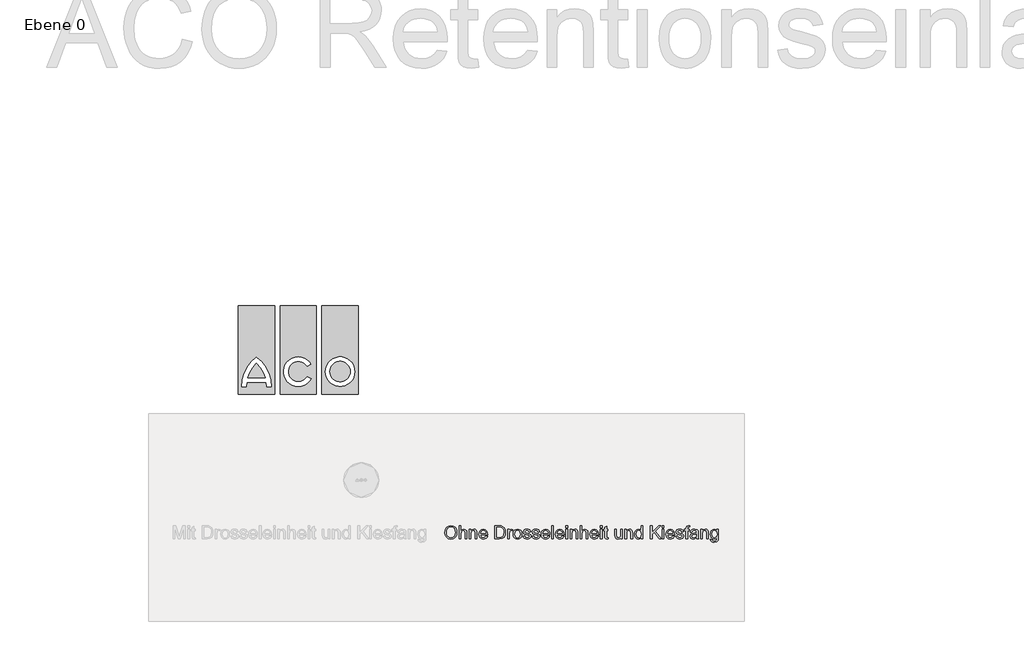
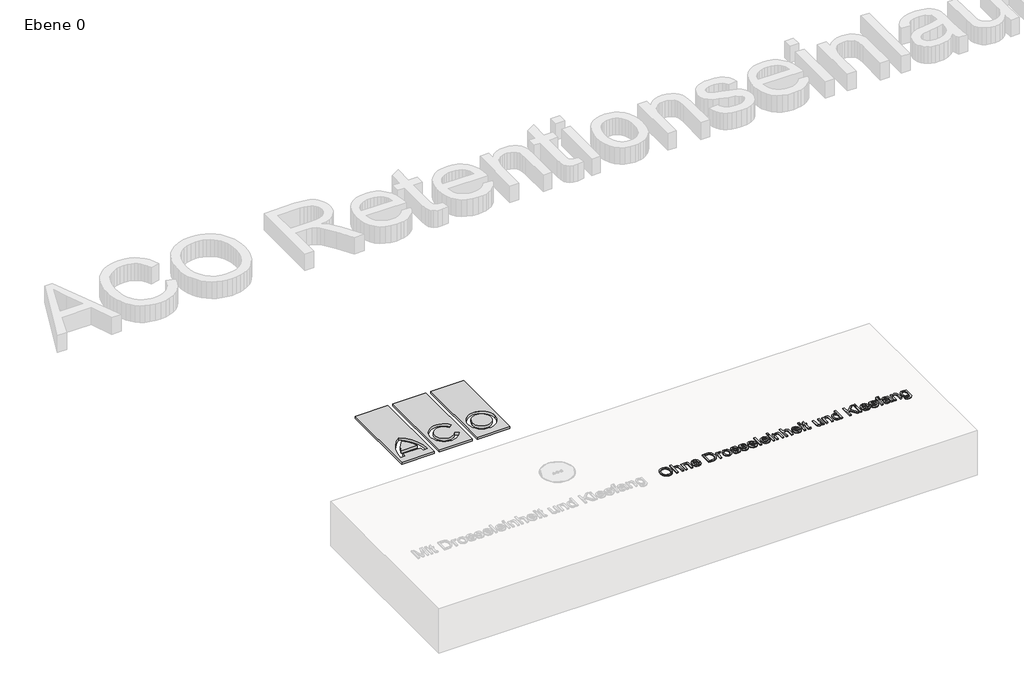
# One storey, part 2 of 3: 2 proxies.
"""IFC4 building model written with IfcOpenShell, lengths in millimetres."""

import ifcopenshell
import ifcopenshell.guid

model = None  # the IFC model being written
_history = None  # IfcOwnerHistory: only IFC2X3 demands one
_inside = {}  # id of a spatial element -> (the spatial element, [elements in it])
_under = {}  # id of a project, library or spatial element -> (it, [spatial elements below it])
_declared = {}  # id of a project -> (the project, [libraries it declares])
_typed = {}  # id of a type object -> (the type object, [elements of that type])
_made_of = {}  # id of a material, layer set ... -> (it, [elements and type objects made of it])


def new_model(schema):
    """Start an empty IFC model of exactly this schema.

    Asked for "IFC4X3", IfcOpenShell would pick the latest addendum, in which some entities
    have other attributes; the version numbers below select the first issue.
    IFC2X3 requires an IfcOwnerHistory on every rooted entity: one is made here for all.
    """
    global model, _history
    if schema == "IFC4X3":
        model = ifcopenshell.file(schema_version=(4, 3, 0, 0))
    else:
        model = ifcopenshell.file(schema=schema)
    _inside.clear()
    _under.clear()
    _declared.clear()
    _typed.clear()
    _made_of.clear()
    _history = None
    if model.schema == "IFC2X3":
        org = make("IfcOrganization", Name="unknown")
        user = make(
            "IfcPersonAndOrganization",
            ThePerson=make("IfcPerson", FamilyName="unknown"),
            TheOrganization=org,
        )
        app = make(
            "IfcApplication",
            ApplicationDeveloper=org,
            Version="unknown",
            ApplicationFullName="unknown",
            ApplicationIdentifier="unknown",
        )
        _history = make(
            "IfcOwnerHistory",
            OwningUser=user,
            OwningApplication=app,
            ChangeAction="ADDED",
            CreationDate=0,
        )
    return model


def make(cls, **values):
    """One entity of the class cls with the attributes given. An attribute that is None is left unset."""
    return model.create_entity(
        cls, **{name: value for name, value in values.items() if value is not None}
    )


def rooted(cls, **values):
    """An entity with a GlobalId (a new one), such as an element, a storey or a relation."""
    return make(cls, GlobalId=ifcopenshell.guid.new(), OwnerHistory=_history, **values)


def si_unit(unit_type, name, prefix=None):
    """IfcSIUnit, for example si_unit("LENGTHUNIT", "METRE", prefix="MILLI")."""
    return make("IfcSIUnit", UnitType=unit_type, Prefix=prefix, Name=name)


def assignment(units):
    """IfcUnitAssignment: the units of a project."""
    return None if units is None else make("IfcUnitAssignment", Units=units)


def point(xyz):
    """IfcCartesianPoint."""
    return None if xyz is None else make("IfcCartesianPoint", Coordinates=xyz)


def direction(xyz):
    """IfcDirection."""
    return None if xyz is None else make("IfcDirection", DirectionRatios=xyz)


def frame(location, z_axis=None, x_axis=None):
    """IfcAxis2Placement3D, a coordinate frame: its origin and axes. An axis left out is left unset."""
    return make(
        "IfcAxis2Placement3D",
        Location=point(location),
        Axis=direction(z_axis),
        RefDirection=direction(x_axis),
    )


def frame_2d(location, x_axis=None):
    """IfcAxis2Placement2D, a coordinate frame in the plane: its origin and x axis."""
    return make(
        "IfcAxis2Placement2D", Location=point(location), RefDirection=direction(x_axis)
    )


def origin():
    """The frame at (0, 0, 0) with its axes left unset."""
    return frame((0.0, 0.0, 0.0))


def origin_with_axes():
    """The frame at (0, 0, 0) with the z axis (0, 0, 1) and the x axis (1, 0, 0) written out."""
    return frame((0.0, 0.0, 0.0), z_axis=(0.0, 0.0, 1.0), x_axis=(1.0, 0.0, 0.0))


def origin_2d():
    """The frame at (0, 0) in the plane with its x axis left unset."""
    return frame_2d((0.0, 0.0))


def place(relative_to, where):
    """IfcLocalPlacement: puts the frame where relative to a parent placement (None: the world)."""
    return make(
        "IfcLocalPlacement", PlacementRelTo=relative_to, RelativePlacement=where
    )


def context(
    kind, dimensions, precision=None, world=None, true_north=None, identifier=None
):
    """IfcGeometricRepresentationContext, for example the 3D "Model" context."""
    return make(
        "IfcGeometricRepresentationContext",
        ContextIdentifier=identifier,
        ContextType=kind,
        CoordinateSpaceDimension=dimensions,
        Precision=precision,
        WorldCoordinateSystem=world,
        TrueNorth=true_north,
    )


def project(units=None, contexts=None):
    """IfcProject with its units and contexts."""
    return rooted(
        "IfcProject",
        Name="project",
        RepresentationContexts=contexts,
        UnitsInContext=assignment(units),
    )


def spatial(cls, under=None, at=None, **own):
    """A site, building, storey or space (cls), placed at a placement, below another one or the project."""
    s = rooted(cls, ObjectPlacement=at, **own)
    if under is not None:
        _under.setdefault(under.id(), (under, []))[1].append(s)
    return s


def polyline(points):
    """IfcPolyline through the points."""
    return make("IfcPolyline", Points=[point(p) for p in points])


def circle_curve(where, radius):
    """IfcCircle in the frame where."""
    return make("IfcCircle", Position=where, Radius=radius)


def trimmed(basis, trim1, trim2, sense, master):
    """IfcTrimmedCurve: the piece of a basis curve between two trims."""
    return make(
        "IfcTrimmedCurve",
        BasisCurve=basis,
        Trim1=trim1,
        Trim2=trim2,
        SenseAgreement=sense,
        MasterRepresentation=master,
    )


def segment(curve, same_sense, transition):
    """IfcCompositeCurveSegment."""
    return make(
        "IfcCompositeCurveSegment",
        Transition=transition,
        SameSense=same_sense,
        ParentCurve=curve,
    )


def composite_curve(segments, self_intersect=None):
    """IfcCompositeCurve: segments joined end to end."""
    return make("IfcCompositeCurve", Segments=segments, SelfIntersect=self_intersect)


def outline(outer, holes=None, kind="AREA"):
    """IfcArbitraryClosedProfileDef: a profile drawn as a closed curve; with holes, ...WithVoids."""
    if holes is None:
        return make("IfcArbitraryClosedProfileDef", ProfileType=kind, OuterCurve=outer)
    return make(
        "IfcArbitraryProfileDefWithVoids",
        ProfileType=kind,
        OuterCurve=outer,
        InnerCurves=holes,
    )


def extrude(swept, where, along, depth):
    """IfcExtrudedAreaSolid: the profile swept, set in the frame where, extruded along a direction by depth."""
    return make(
        "IfcExtrudedAreaSolid",
        SweptArea=swept,
        Position=where,
        ExtrudedDirection=direction(along),
        Depth=depth,
    )


def shape(context_of_items, identifier, shape_type, items):
    """IfcShapeRepresentation: the items that make up one representation, for example the "Body"."""
    return make(
        "IfcShapeRepresentation",
        ContextOfItems=context_of_items,
        RepresentationIdentifier=identifier,
        RepresentationType=shape_type,
        Items=items,
    )


def source(mapping_origin, context_of_items, identifier, shape_type, items):
    """IfcRepresentationMap: a shape defined once, which mapped items show again and again."""
    return make(
        "IfcRepresentationMap",
        MappingOrigin=mapping_origin,
        MappedRepresentation=shape(context_of_items, identifier, shape_type, items),
    )


def transform(
    local_origin,
    x_axis=None,
    y_axis=None,
    z_axis=None,
    scale=None,
    scale2=None,
    scale3=None,
    uniform=True,
):
    """IfcCartesianTransformationOperator3D, or its non-uniform kind. x_axis, y_axis, z_axis: its Axis1, 2, 3."""
    if uniform:
        return make(
            "IfcCartesianTransformationOperator3D",
            Axis1=direction(x_axis),
            Axis2=direction(y_axis),
            LocalOrigin=point(local_origin),
            Scale=scale,
            Axis3=direction(z_axis),
        )
    return make(
        "IfcCartesianTransformationOperator3DnonUniform",
        Axis1=direction(x_axis),
        Axis2=direction(y_axis),
        LocalOrigin=point(local_origin),
        Scale=scale,
        Axis3=direction(z_axis),
        Scale2=scale2,
        Scale3=scale3,
    )


def mapped(mapping_source, mapping_target):
    """IfcMappedItem: shows the shape of a source again, moved by a transform."""
    return make(
        "IfcMappedItem", MappingSource=mapping_source, MappingTarget=mapping_target
    )


def made_of(thing, what):
    """Note that an element or type object is made of a material, layer set ...; save() writes the relation."""
    if what is not None:
        _made_of.setdefault(what.id(), (what, []))[1].append(thing)
    return thing


def element(
    cls,
    number,
    at=None,
    inside=None,
    cuts=None,
    type_object=None,
    material=None,
    context=None,
    identifier="Body",
    shape_type=None,
    held_by="IfcProductDefinitionShape",
    body=None,
    shapes=None,
    **own,
):
    """One element of the class cls, such as IfcWall. Its Tag is "e" and its number.

    at: its placement. inside: the storey or other place that contains it. cuts: it is an
    opening in that element (IfcRelVoidsElement). A single representation is given by context,
    identifier, shape_type and body (its items); several are given by shapes. held_by: the class
    of the entity that holds the representations. save() writes the other relations.
    """
    e = rooted(cls, Tag="e%d" % number, ObjectPlacement=at, **own)
    if body is not None:
        shapes = [shape(context, identifier, shape_type, body)]
    if shapes is not None:
        e.Representation = make(held_by, Representations=shapes)
    if inside is not None:
        _inside.setdefault(inside.id(), (inside, []))[1].append(e)
    if cuts is not None:
        rooted(
            "IfcRelVoidsElement", RelatingBuildingElement=cuts, RelatedOpeningElement=e
        )
    if type_object is not None:
        _typed.setdefault(type_object.id(), (type_object, []))[1].append(e)
    return made_of(e, material)


def aggregate(whole, parts):
    """IfcRelAggregates: a whole, such as a stair, and the parts it consists of."""
    return rooted("IfcRelAggregates", RelatingObject=whole, RelatedObjects=parts)


def save(model, path):
    """Write the relations noted so far, then the file.

    IfcRelAggregates (storeys below a building ...), IfcRelContainedInSpatialStructure (elements
    in a storey), IfcRelDefinesByType, IfcRelAssociatesMaterial and IfcRelDeclares: one each for
    every whole, place, type object, material and project.
    """
    for whole, parts in _under.values():
        aggregate(whole, parts)
    for where, things in _inside.values():
        rooted(
            "IfcRelContainedInSpatialStructure",
            RelatedElements=things,
            RelatingStructure=where,
        )
    for kind, things in _typed.values():
        rooted("IfcRelDefinesByType", RelatedObjects=things, RelatingType=kind)
    for what, things in _made_of.values():
        rooted("IfcRelAssociatesMaterial", RelatedObjects=things, RelatingMaterial=what)
    for by, libraries in _declared.values():
        rooted("IfcRelDeclares", RelatingContext=by, RelatedDefinitions=libraries)
    model.write(path)


def aco_logo_2_aco_logo_2_fd4f08f5(model_context):
    return source(origin(), model_context, "Body", "SweptSolid", [
        extrude(outline(composite_curve([segment(trimmed(circle_curve(frame_2d((322.6916659, 0.0)), 78.8446383), [point((243.8470276, 0.0))], [point((401.5363043, 0.0))], False, "CARTESIAN"), True, "CONTINUOUS"), segment(trimmed(circle_curve(frame_2d((322.6916659, 0.0)), 78.8446383), [point((401.5363043, 0.0))], [point((243.8470276, 0.0))], False, "CARTESIAN"), True, "CONTINUOUS")], self_intersect=False)), origin_with_axes(), (0.0, 0.0, 1.0), 20.0),
        extrude(outline(composite_curve([segment(trimmed(circle_curve(frame_2d((-489.1421711, -116.655693)), 245.2949397), [point((-322.6918325, 63.5216981))], [point((-253.4274551, -48.7721153))], False, "CARTESIAN"), True, "CONTINUOUS"), segment(polyline([(-253.4274551, -48.7721153), (-391.9570627, -48.7721153)]), True, "CONTINUOUS"), segment(trimmed(circle_curve(frame_2d((-156.2447263, -116.6554892)), 245.2925967), [point((-391.9570627, -48.7721153))], [point((-322.6918325, 63.5216981))], False, "CARTESIAN"), True, "CONTINUOUS")], self_intersect=False)), origin_with_axes(), (0.0, 0.0, 1.0), 20.0),
        extrude(outline(polyline([(-182.6922589, -175.0), (-462.6922589, -175.0), (-462.6922589, 510.0), (-182.6922589, 510.0), (-182.6922589, -175.0)]), holes=[composite_curve([segment(trimmed(circle_curve(frame_2d((-489.1421711, -116.655693)), 245.2949397), [point((-246.0556797, -83.8141768))], [point((-243.8503465, -115.4194717))], False, "CARTESIAN"), True, "CONTINUOUS"), segment(polyline([(-243.8503465, -115.4194717), (-208.8078956, -115.4194717)]), True, "CONTINUOUS"), segment(trimmed(circle_curve(frame_2d((-489.1421711, -116.655693)), 280.3370012), [point((-208.8078956, -115.4194717))], [point((-322.691871, 108.917204))], True, "CARTESIAN"), True, "CONTINUOUS"), segment(trimmed(circle_curve(frame_2d((-156.2447263, -116.6554892)), 280.3349638), [point((-322.691871, 108.917204))], [point((-436.5769652, -115.4194717))], True, "CARTESIAN"), True, "CONTINUOUS"), segment(polyline([(-436.5769652, -115.4194717), (-401.533291, -115.4194717)]), True, "CONTINUOUS"), segment(trimmed(circle_curve(frame_2d((-156.2414664, -116.655693)), 245.2949397), [point((-401.533291, -115.4194717))], [point((-399.3279577, -83.8141768))], False, "CARTESIAN"), True, "CONTINUOUS"), segment(polyline([(-399.3279577, -83.8141768), (-246.0556797, -83.8141768)]), True, "CONTINUOUS")], self_intersect=False)]), origin_with_axes(), (0.0, 0.0, 1.0), 20.0),
        extrude(outline(polyline([(140.0, -175.0), (-140.0, -175.0), (-140.0, 510.0), (140.0, 510.0), (140.0, -175.0)]), holes=[composite_curve([segment(trimmed(circle_curve(origin_2d(), 78.8445365), [point((68.281376, -39.4222605))], [point((67.5433761, 40.6737418))], False, "CARTESIAN"), True, "CONTINUOUS"), segment(polyline([(67.5433761, 40.6737418), (97.8942123, 58.1969105)]), True, "CONTINUOUS"), segment(trimmed(circle_curve(origin_2d(), 113.8865979), [point((97.8942123, 58.1969105))], [point((98.6286808, -56.9433097))], True, "CARTESIAN"), True, "CONTINUOUS"), segment(polyline([(98.6286808, -56.9433097), (68.281376, -39.4222605)]), True, "CONTINUOUS")], self_intersect=False)]), origin_with_axes(), (0.0, 0.0, 1.0), 20.0),
        extrude(outline(polyline([(462.6916659, -175.0), (182.6916659, -175.0), (182.6916659, 510.0), (462.6916659, 510.0), (462.6916659, -175.0)]), holes=[composite_curve([segment(trimmed(circle_curve(frame_2d((322.6916659, 0.0)), 113.8866998), [point((208.8049661, 0.0))], [point((436.5783657, 0.0))], True, "CARTESIAN"), True, "CONTINUOUS"), segment(trimmed(circle_curve(frame_2d((322.6916659, 0.0)), 113.8866998), [point((436.5783657, 0.0))], [point((208.8049661, 0.0))], True, "CARTESIAN"), True, "CONTINUOUS")], self_intersect=False)]), origin_with_axes(), (0.0, 0.0, 1.0), 20.0),
    ])


model = new_model("IFC4")

# Units and contexts
model_context = context("Model", 3, world=origin())
ifc_project = project(units=[si_unit("LENGTHUNIT", "METRE", prefix="MILLI")], contexts=[model_context])

# Site, building, storey
site = spatial("IfcSite", under=ifc_project)
building = spatial("IfcBuilding", under=site)
storey = spatial("IfcBuildingStorey", under=building, Name="Ebene 0", Elevation=0.0)

# Proxies
placement = place(None, origin())
element("IfcBuildingElementProxy", 1, Name="100mm ACO", ObjectType="100mm ACO", at=placement, inside=storey, context=model_context, shape_type="SweptSolid", body=[
    extrude(outline(polyline([(3989.1552922, 2776.710133), (4007.7529444, 2773.115751), (4022.6252453, 2762.3326053), (4032.3824643, 2745.6631134), (4035.6348706, 2724.4096931), (4032.3642741, 2703.2472238), (4022.5524846, 2686.675959), (4007.6619935, 2675.969212), (3989.1552922, 2672.4002963), (3970.1720079, 2676.1001814), (3955.306983, 2687.1998365), (3945.7025617, 2703.6255798), (3942.5010879, 2723.3037295), (3945.7462181, 2745.5139538), (3955.4816089, 2762.4344703), (3970.3902902, 2773.1412173), (3989.1552922, 2776.710133)]), holes=[polyline([(3989.0388749, 2683.5763503), (4002.5578256, 2686.2757748), (4013.2536585, 2694.3740482), (4020.2314161, 2707.2818084), (4022.596141, 2724.4096931), (4020.227778, 2741.9195719), (4013.1226891, 2754.8673505), (4002.4304942, 2762.8673969), (3989.3008137, 2765.534079), (3975.8764521, 2762.9219675), (3965.0569259, 2755.0856328), (3957.9190946, 2741.8504492), (3955.5398175, 2723.0417907), (3957.868162, 2707.0671641), (3964.8531958, 2694.4759133), (3975.5563047, 2686.301241), (3989.0388749, 2683.5763503)])]), origin_with_axes(), (0.0, 0.0, 1.0), 10.0),
    extrude(outline(polyline([(4112.0045724, 2674.262972), (4098.9658428, 2674.262972), (4098.9658428, 2721.2373237), (4095.2550437, 2734.9017958), (4084.1808548, 2739.4566199), (4071.1712296, 2734.0868752), (4066.8710682, 2726.6107063), (4065.4376811, 2714.921689), (4065.4376811, 2674.262972), (4052.3989515, 2674.262972), (4052.3989515, 2774.8474573), (4065.4376811, 2774.8474573), (4065.4376811, 2738.8163251), (4075.1949, 2746.2815799), (4087.1203899, 2748.7699982), (4100.4792668, 2745.8886718), (4109.4288412, 2737.0264103), (4112.0045724, 2720.4224031), (4112.0045724, 2674.262972)])), origin_with_axes(), (0.0, 0.0, 1.0), 10.0),
    extrude(outline(polyline([(4190.2369499, 2674.262972), (4177.1982203, 2674.262972), (4177.1982203, 2719.4910652), (4173.3127953, 2735.1782868), (4162.5005452, 2739.4566199), (4152.4159028, 2736.720815), (4145.6637036, 2729.0081736), (4143.6700585, 2714.921689), (4143.6700585, 2674.262972), (4130.631329, 2674.262972), (4130.631329, 2746.9073225), (4141.8073829, 2746.9073225), (4141.8073829, 2736.8081279), (4151.7610559, 2745.7868067), (4165.0908286, 2748.7699982), (4176.5288213, 2746.7035924), (4185.3765306, 2740.5189271), (4189.4074771, 2731.7294264), (4190.2369499, 2719.1127092), (4190.2369499, 2674.262972)])), origin_with_axes(), (0.0, 0.0, 1.0), 10.0),
    extrude(outline(polyline([(4272.1946787, 2707.7911338), (4218.1770847, 2707.7911338), (4220.2616807, 2696.6005277), (4225.0020447, 2688.4076652), (4231.8233667, 2683.3871723), (4240.1508366, 2681.7136746), (4251.8944245, 2685.4244738), (4259.1559491, 2696.6150798), (4272.1946787, 2695.1016559), (4267.7926522, 2685.4244738), (4260.8148946, 2678.2793664), (4251.5160685, 2673.8700639), (4240.1508366, 2672.4002963), (4225.4786277, 2674.9214569), (4214.4080769, 2682.4849388), (4207.4557856, 2694.4140666), (4205.1383551, 2710.0321654), (4207.3721107, 2725.6611783), (4214.0733774, 2738.0305088), (4224.834695, 2746.0851258), (4239.248603, 2748.7699982), (4254.5574686, 2745.2920335), (4267.0577685, 2733.4465805), (4270.9104511, 2722.8489747), (4272.1946787, 2707.7911338)]), holes=[polyline([(4259.1559491, 2717.104512), (4257.060439, 2727.3201238), (4252.2873326, 2734.2178446), (4238.9284557, 2739.4566199), (4231.0266363, 2737.8995395), (4224.6673452, 2733.2282982), (4218.1770847, 2717.104512), (4259.1559491, 2717.104512)])]), origin_with_axes(), (0.0, 0.0, 1.0), 10.0),
    extrude(outline(polyline([(4328.0749483, 2774.8474573), (4362.3016134, 2774.8474573), (4377.7851048, 2773.9161195), (4390.1835396, 2769.3903997), (4400.5301208, 2759.4803832), (4407.5006024, 2744.9718861), (4410.0326771, 2725.1081965), (4407.4278416, 2704.8552368), (4399.6133351, 2688.5677389), (4385.4468137, 2677.8391637), (4363.7859331, 2674.262972), (4328.0749483, 2674.262972), (4328.0749483, 2774.8474573)]), holes=[polyline([(4341.1136779, 2685.4390259), (4362.5635522, 2685.4390259), (4374.2780358, 2686.2830508), (4384.7410342, 2690.8378749), (4393.5159828, 2703.0034753), (4396.9939475, 2725.3992396), (4395.6551494, 2739.7767673), (4390.7365215, 2751.9569198), (4382.5145547, 2760.0042607), (4373.4631152, 2763.1184216), (4362.1560919, 2763.6714034), (4341.1136779, 2763.6714034), (4341.1136779, 2685.4390259)])]), origin_with_axes(), (0.0, 0.0, 1.0), 10.0),
    extrude(outline(polyline([(4465.9129467, 2745.9177761), (4461.8383437, 2737.5939442), (4453.2816774, 2739.4566199), (4447.4535399, 2737.8195026), (4443.2406915, 2732.9081508), (4439.8354875, 2714.5724373), (4439.8354875, 2674.262972), (4426.796758, 2674.262972), (4426.796758, 2746.9073225), (4437.9728119, 2746.9073225), (4437.9728119, 2736.1387289), (4444.9432934, 2745.6121808), (4453.427199, 2748.7699982), (4465.9129467, 2745.9177761)])), origin_with_axes(), (0.0, 0.0, 1.0), 10.0),
    extrude(outline(polyline([(4503.1373555, 2748.7699982), (4516.3907293, 2746.3616168), (4527.162961, 2739.1364725), (4534.3117064, 2727.4729214), (4536.6946215, 2711.7493195), (4534.1152523, 2693.3699496), (4526.3771447, 2681.3062143), (4515.4084589, 2674.6267758), (4503.1373555, 2672.4002963), (4490.4733438, 2674.6886225), (4479.6065232, 2681.5536009), (4472.1303543, 2693.3881398), (4469.638298, 2710.5851473), (4472.0466794, 2727.4001607), (4479.2718237, 2739.3110984), (4490.0549694, 2746.4052732), (4503.1373555, 2748.7699982)]), holes=[polyline([(4503.1373555, 2681.7136746), (4511.9959789, 2683.7327859), (4518.4316688, 2689.7901198), (4523.655892, 2711.0508162), (4522.1788484, 2723.4055945), (4517.7477176, 2732.2969603), (4511.1410399, 2737.666705), (4503.1373555, 2739.4566199), (4494.9772354, 2737.6412387), (4488.4251282, 2732.1950953), (4484.1140527, 2723.1545699), (4482.6770276, 2710.5560429), (4484.139519, 2698.0011725), (4488.5269933, 2688.9751992), (4495.1045667, 2683.5290558), (4503.1373555, 2681.7136746)])]), origin_with_axes(), (0.0, 0.0, 1.0), 10.0),
    extrude(outline(polyline([(4592.5748912, 2726.4178903), (4587.7581283, 2736.1969375), (4576.6257309, 2739.4566199), (4565.2459468, 2736.6626064), (4560.9094051, 2728.5425047), (4563.7761793, 2721.3537409), (4577.2951299, 2717.4537637), (4595.121518, 2713.2627435), (4604.216614, 2706.9034524), (4607.4762964, 2695.5091162), (4605.4535471, 2686.5267994), (4599.385299, 2679.0797348), (4589.9336753, 2674.070156), (4577.7607989, 2672.4002963), (4565.2132045, 2673.8045792), (4555.7433905, 2678.0174276), (4549.344081, 2685.0315656), (4546.0079998, 2694.8397171), (4559.0467294, 2696.6150798), (4564.6784128, 2685.4244738), (4577.7607989, 2681.7136746), (4590.1301294, 2685.5699953), (4594.4375668, 2694.9561343), (4592.5021304, 2700.9661738), (4587.6708154, 2704.3568255), (4574.0063432, 2707.2672562), (4560.7529694, 2710.5123865), (4552.9493771, 2715.1254192), (4547.8706755, 2727.7857927), (4549.7515413, 2736.1205387), (4555.3941389, 2742.8472717), (4564.2163819, 2747.2893165), (4575.6361844, 2748.7699982), (4587.6380731, 2747.4748565), (4596.634942, 2743.5894315), (4602.6267912, 2737.1209992), (4605.6136207, 2728.0768358), (4592.5748912, 2726.4178903)])), origin_with_axes(), (0.0, 0.0, 1.0), 10.0),
    extrude(outline(polyline([(4661.4938904, 2726.4178903), (4656.6771275, 2736.1969375), (4645.5447301, 2739.4566199), (4634.164946, 2736.6626064), (4629.8284043, 2728.5425047), (4632.6951785, 2721.3537409), (4646.2141291, 2717.4537637), (4664.0405172, 2713.2627435), (4673.1356132, 2706.9034524), (4676.3952956, 2695.5091162), (4674.3725463, 2686.5267994), (4668.3042982, 2679.0797348), (4658.8526745, 2674.070156), (4646.6797981, 2672.4002963), (4634.1322037, 2673.8045792), (4624.6623897, 2678.0174276), (4618.2630802, 2685.0315656), (4614.926999, 2694.8397171), (4627.9657286, 2696.6150798), (4633.597412, 2685.4244738), (4646.6797981, 2681.7136746), (4659.0491286, 2685.5699953), (4663.356566, 2694.9561343), (4661.4211296, 2700.9661738), (4656.5898146, 2704.3568255), (4642.9253424, 2707.2672562), (4629.6719686, 2710.5123865), (4621.8683763, 2715.1254192), (4616.7896747, 2727.7857927), (4618.6705405, 2736.1205387), (4624.3131381, 2742.8472717), (4633.1353811, 2747.2893165), (4644.5551836, 2748.7699982), (4656.5570723, 2747.4748565), (4665.5539412, 2743.5894315), (4671.5457904, 2737.1209992), (4674.5326199, 2728.0768358), (4661.4938904, 2726.4178903)])), origin_with_axes(), (0.0, 0.0, 1.0), 10.0),
    extrude(outline(polyline([(4752.7649974, 2707.7911338), (4698.7474035, 2707.7911338), (4700.8319994, 2696.6005277), (4705.5723635, 2688.4076652), (4712.3936854, 2683.3871723), (4720.7211553, 2681.7136746), (4732.4647432, 2685.4244738), (4739.7262678, 2696.6150798), (4752.7649974, 2695.1016559), (4748.362971, 2685.4244738), (4741.3852133, 2678.2793664), (4732.0863872, 2673.8700639), (4720.7211553, 2672.4002963), (4706.0489465, 2674.9214569), (4694.9783957, 2682.4849388), (4688.0261043, 2694.4140666), (4685.7086739, 2710.0321654), (4687.9424294, 2725.6611783), (4694.6436962, 2738.0305088), (4705.4050137, 2746.0851258), (4719.8189218, 2748.7699982), (4735.1277873, 2745.2920335), (4747.6280872, 2733.4465805), (4751.4807699, 2722.8489747), (4752.7649974, 2707.7911338)]), holes=[polyline([(4739.7262678, 2717.104512), (4737.6307577, 2727.3201238), (4732.8576514, 2734.2178446), (4719.4987744, 2739.4566199), (4711.596955, 2737.8995395), (4705.2376639, 2733.2282982), (4698.7474035, 2717.104512), (4739.7262678, 2717.104512)])]), origin_with_axes(), (0.0, 0.0, 1.0), 10.0),
    extrude(outline(polyline([(4780.7051322, 2674.262972), (4767.6664027, 2674.262972), (4767.6664027, 2774.8474573), (4780.7051322, 2774.8474573), (4780.7051322, 2674.262972)])), origin_with_axes(), (0.0, 0.0, 1.0), 10.0),
    extrude(outline(polyline([(4862.662861, 2707.7911338), (4808.645267, 2707.7911338), (4810.729863, 2696.6005277), (4815.4702271, 2688.4076652), (4822.291549, 2683.3871723), (4830.6190189, 2681.7136746), (4842.3626068, 2685.4244738), (4849.6241314, 2696.6150798), (4862.662861, 2695.1016559), (4858.2608346, 2685.4244738), (4851.2830769, 2678.2793664), (4841.9842508, 2673.8700639), (4830.6190189, 2672.4002963), (4815.9468101, 2674.9214569), (4804.8762593, 2682.4849388), (4797.9239679, 2694.4140666), (4795.6065375, 2710.0321654), (4797.840293, 2725.6611783), (4804.5415597, 2738.0305088), (4815.3028773, 2746.0851258), (4829.7167854, 2748.7699982), (4845.0256509, 2745.2920335), (4857.5259508, 2733.4465805), (4861.3786335, 2722.8489747), (4862.662861, 2707.7911338)]), holes=[polyline([(4849.6241314, 2717.104512), (4847.5286213, 2727.3201238), (4842.755515, 2734.2178446), (4829.396638, 2739.4566199), (4821.4948186, 2737.8995395), (4815.1355275, 2733.2282982), (4808.645267, 2717.104512), (4849.6241314, 2717.104512)])]), origin_with_axes(), (0.0, 0.0, 1.0), 10.0),
    extrude(outline(polyline([(4890.6029958, 2674.262972), (4877.5642662, 2674.262972), (4877.5642662, 2746.9073225), (4890.6029958, 2746.9073225), (4890.6029958, 2674.262972)])), origin_with_axes(), (0.0, 0.0, 1.0), 10.0),
    extrude(outline(polyline([(4890.6029958, 2761.8087277), (4877.5642662, 2761.8087277), (4877.5642662, 2774.8474573), (4890.6029958, 2774.8474573), (4890.6029958, 2761.8087277)])), origin_with_axes(), (0.0, 0.0, 1.0), 10.0),
    extrude(outline(polyline([(4968.8353733, 2674.262972), (4955.7966437, 2674.262972), (4955.7966437, 2719.4910652), (4951.9112187, 2735.1782868), (4941.0989686, 2739.4566199), (4931.0143262, 2736.720815), (4924.262127, 2729.0081736), (4922.2684819, 2714.921689), (4922.2684819, 2674.262972), (4909.2297524, 2674.262972), (4909.2297524, 2746.9073225), (4920.4058063, 2746.9073225), (4920.4058063, 2736.8081279), (4930.3594793, 2745.7868067), (4943.689252, 2748.7699982), (4955.1272446, 2746.7035924), (4963.974954, 2740.5189271), (4968.0059005, 2731.7294264), (4968.8353733, 2719.1127092), (4968.8353733, 2674.262972)])), origin_with_axes(), (0.0, 0.0, 1.0), 10.0),
    extrude(outline(polyline([(5047.0677508, 2674.262972), (5034.0290212, 2674.262972), (5034.0290212, 2721.2373237), (5030.318222, 2734.9017958), (5019.2440332, 2739.4566199), (5006.2344079, 2734.0868752), (5001.9342465, 2726.6107063), (5000.5008594, 2714.921689), (5000.5008594, 2674.262972), (4987.4621298, 2674.262972), (4987.4621298, 2774.8474573), (5000.5008594, 2774.8474573), (5000.5008594, 2738.8163251), (5010.2580784, 2746.2815799), (5022.1835682, 2748.7699982), (5035.5424452, 2745.8886718), (5044.4920196, 2737.0264103), (5047.0677508, 2720.4224031), (5047.0677508, 2674.262972)])), origin_with_axes(), (0.0, 0.0, 1.0), 10.0),
    extrude(outline(polyline([(5129.0254795, 2707.7911338), (5075.0078856, 2707.7911338), (5077.0924816, 2696.6005277), (5081.8328456, 2688.4076652), (5088.6541676, 2683.3871723), (5096.9816374, 2681.7136746), (5108.7252253, 2685.4244738), (5115.98675, 2696.6150798), (5129.0254795, 2695.1016559), (5124.6234531, 2685.4244738), (5117.6456955, 2678.2793664), (5108.3468693, 2673.8700639), (5096.9816374, 2672.4002963), (5082.3094286, 2674.9214569), (5071.2388778, 2682.4849388), (5064.2865864, 2694.4140666), (5061.969156, 2710.0321654), (5064.2029116, 2725.6611783), (5070.9041783, 2738.0305088), (5081.6654958, 2746.0851258), (5096.0794039, 2748.7699982), (5111.3882694, 2745.2920335), (5123.8885693, 2733.4465805), (5127.741252, 2722.8489747), (5129.0254795, 2707.7911338)]), holes=[polyline([(5115.98675, 2717.104512), (5113.8912399, 2727.3201238), (5109.1181335, 2734.2178446), (5095.7592565, 2739.4566199), (5087.8574372, 2737.8995395), (5081.4981461, 2733.2282982), (5075.0078856, 2717.104512), (5115.98675, 2717.104512)])]), origin_with_axes(), (0.0, 0.0, 1.0), 10.0),
    extrude(outline(polyline([(5156.9656144, 2674.262972), (5143.9268848, 2674.262972), (5143.9268848, 2746.9073225), (5156.9656144, 2746.9073225), (5156.9656144, 2674.262972)])), origin_with_axes(), (0.0, 0.0, 1.0), 10.0),
    extrude(outline(polyline([(5156.9656144, 2761.8087277), (5143.9268848, 2761.8087277), (5143.9268848, 2774.8474573), (5156.9656144, 2774.8474573), (5156.9656144, 2761.8087277)])), origin_with_axes(), (0.0, 0.0, 1.0), 10.0),
    extrude(outline(polyline([(5203.5325057, 2673.2443213), (5194.3937533, 2672.4002963), (5182.7374783, 2675.2961749), (5178.2699671, 2682.6450124), (5177.4550465, 2695.0434473), (5177.4550465, 2737.5939442), (5168.1416683, 2737.5939442), (5168.1416683, 2746.9073225), (5177.4550465, 2746.9073225), (5177.4550465, 2765.3594532), (5190.4937761, 2772.9847817), (5190.4937761, 2746.9073225), (5201.66983, 2746.9073225), (5201.66983, 2737.5939442), (5190.4937761, 2737.5939442), (5190.4937761, 2692.4240596), (5191.5415312, 2684.1584364), (5196.8676194, 2681.7136746), (5201.9317688, 2681.7136746), (5203.5325057, 2673.2443213)])), origin_with_axes(), (0.0, 0.0, 1.0), 10.0),
    extrude(outline(polyline([(5313.4303693, 2674.262972), (5302.2543154, 2674.262972), (5302.2543154, 2684.8278355), (5291.9513907, 2675.5071811), (5278.9126611, 2672.4002963), (5264.7097592, 2675.9364697), (5256.0075714, 2685.6718604), (5253.8247484, 2701.7665422), (5253.8247484, 2746.9073225), (5266.8634779, 2746.9073225), (5266.8634779, 2705.6956237), (5267.7657115, 2691.5218261), (5272.4806092, 2684.4785838), (5281.561153, 2681.7136746), (5294.3816003, 2686.6614068), (5298.8891299, 2694.257631), (5300.3916397, 2707.150839), (5300.3916397, 2746.9073225), (5313.4303693, 2746.9073225), (5313.4303693, 2674.262972)])), origin_with_axes(), (0.0, 0.0, 1.0), 10.0),
    extrude(outline(polyline([(5391.6627468, 2674.262972), (5378.6240172, 2674.262972), (5378.6240172, 2719.4910652), (5374.7385922, 2735.1782868), (5363.9263421, 2739.4566199), (5353.8416997, 2736.720815), (5347.0895004, 2729.0081736), (5345.0958554, 2714.921689), (5345.0958554, 2674.262972), (5332.0571258, 2674.262972), (5332.0571258, 2746.9073225), (5343.2331798, 2746.9073225), (5343.2331798, 2736.8081279), (5353.1868528, 2745.7868067), (5366.5166254, 2748.7699982), (5377.9546181, 2746.7035924), (5386.8023275, 2740.5189271), (5390.833274, 2731.7294264), (5391.6627468, 2719.1127092), (5391.6627468, 2674.262972)])), origin_with_axes(), (0.0, 0.0, 1.0), 10.0),
    extrude(outline(polyline([(5469.8951242, 2674.262972), (5456.8563947, 2674.262972), (5456.8563947, 2682.4703866), (5448.452526, 2674.9178189), (5437.0072572, 2672.4002963), (5425.0708533, 2675.0560644), (5415.280892, 2683.0233684), (5408.743337, 2695.2253492), (5406.564152, 2710.5851473), (5408.652386, 2726.4178903), (5414.9170881, 2738.5252821), (5424.6088224, 2746.2088191), (5436.9781529, 2748.7699982), (5448.3288327, 2746.4707579), (5456.5944559, 2739.5730371), (5456.8563947, 2774.8474573), (5469.8951242, 2774.8474573), (5469.8951242, 2674.262972)]), holes=[polyline([(5438.5206812, 2681.7136746), (5445.614856, 2683.4308287), (5451.5303065, 2688.5822911), (5455.5248726, 2697.2262703), (5456.8563947, 2709.420975), (5451.9814232, 2731.3074139), (5446.0477826, 2737.4193184), (5437.9968037, 2739.4566199), (5430.0040333, 2737.4629749), (5424.2450186, 2731.4820397), (5419.6028816, 2710.5560429), (5422.105852, 2694.7087477), (5429.0908857, 2684.973357), (5438.5206812, 2681.7136746)])]), origin_with_axes(), (0.0, 0.0, 1.0), 10.0),
    extrude(outline(polyline([(5611.9241429, 2674.262972), (5596.2951299, 2674.262972), (5559.1871384, 2725.7484913), (5542.5394747, 2709.6538094), (5542.5394747, 2674.262972), (5529.5007452, 2674.262972), (5529.5007452, 2774.8474573), (5542.5394747, 2774.8474573), (5542.5394747, 2726.767142), (5592.1914226, 2774.8474573), (5609.8868414, 2774.8474573), (5568.3840994, 2734.6544092), (5611.9241429, 2674.262972)])), origin_with_axes(), (0.0, 0.0, 1.0), 10.0),
    extrude(outline(polyline([(5633.8105818, 2761.8087277), (5620.7718522, 2761.8087277), (5620.7718522, 2774.8474573), (5633.8105818, 2774.8474573), (5633.8105818, 2761.8087277)])), origin_with_axes(), (0.0, 0.0, 1.0), 10.0),
    extrude(outline(polyline([(5633.8105818, 2674.262972), (5620.7718522, 2674.262972), (5620.7718522, 2746.9073225), (5633.8105818, 2746.9073225), (5633.8105818, 2674.262972)])), origin_with_axes(), (0.0, 0.0, 1.0), 10.0),
    extrude(outline(polyline([(5715.7683106, 2707.7911338), (5661.7507166, 2707.7911338), (5663.8353126, 2696.6005277), (5668.5756766, 2688.4076652), (5675.3969986, 2683.3871723), (5683.7244685, 2681.7136746), (5695.4680564, 2685.4244738), (5702.729581, 2696.6150798), (5715.7683106, 2695.1016559), (5711.3662841, 2685.4244738), (5704.3885265, 2678.2793664), (5695.0897004, 2673.8700639), (5683.7244685, 2672.4002963), (5669.0522596, 2674.9214569), (5657.9817088, 2682.4849388), (5651.0294175, 2694.4140666), (5648.711987, 2710.0321654), (5650.9457426, 2725.6611783), (5657.6470093, 2738.0305088), (5668.4083269, 2746.0851258), (5682.8222349, 2748.7699982), (5698.1311005, 2745.2920335), (5710.6314004, 2733.4465805), (5714.484083, 2722.8489747), (5715.7683106, 2707.7911338)]), holes=[polyline([(5702.729581, 2717.104512), (5700.6340709, 2727.3201238), (5695.8609645, 2734.2178446), (5682.5020876, 2739.4566199), (5674.6002682, 2737.8995395), (5668.2409771, 2733.2282982), (5661.7507166, 2717.104512), (5702.729581, 2717.104512)])]), origin_with_axes(), (0.0, 0.0, 1.0), 10.0),
    extrude(outline(polyline([(5771.6485802, 2726.4178903), (5766.8318174, 2736.1969375), (5755.6994199, 2739.4566199), (5744.3196358, 2736.6626064), (5739.9830941, 2728.5425047), (5742.8498683, 2721.3537409), (5756.368819, 2717.4537637), (5774.1952071, 2713.2627435), (5783.290303, 2706.9034524), (5786.5499854, 2695.5091162), (5784.5272361, 2686.5267994), (5778.4589881, 2679.0797348), (5769.0073643, 2674.070156), (5756.8344879, 2672.4002963), (5744.2868935, 2673.8045792), (5734.8170796, 2678.0174276), (5728.41777, 2685.0315656), (5725.0816888, 2694.8397171), (5738.1204184, 2696.6150798), (5743.7521018, 2685.4244738), (5756.8344879, 2681.7136746), (5769.2038184, 2685.5699953), (5773.5112558, 2694.9561343), (5771.5758194, 2700.9661738), (5766.7445044, 2704.3568255), (5753.0800323, 2707.2672562), (5739.8266584, 2710.5123865), (5732.0230661, 2715.1254192), (5726.9443645, 2727.7857927), (5728.8252303, 2736.1205387), (5734.4678279, 2742.8472717), (5743.290071, 2747.2893165), (5754.7098735, 2748.7699982), (5766.7117621, 2747.4748565), (5775.708631, 2743.5894315), (5781.7004803, 2737.1209992), (5784.6873098, 2728.0768358), (5771.6485802, 2726.4178903)])), origin_with_axes(), (0.0, 0.0, 1.0), 10.0),
    extrude(outline(polyline([(5833.1168768, 2775.7496908), (5831.5161399, 2767.3967547), (5825.1714009, 2767.3967547), (5818.826662, 2765.2575881), (5816.3527959, 2754.6781725), (5816.3527959, 2746.9073225), (5827.5288498, 2746.9073225), (5827.5288498, 2737.5939442), (5816.3527959, 2737.5939442), (5816.3527959, 2674.262972), (5803.3140663, 2674.262972), (5803.3140663, 2737.5939442), (5792.1380124, 2737.5939442), (5792.1380124, 2746.9073225), (5803.3140663, 2746.9073225), (5803.3140663, 2754.8819027), (5804.2890606, 2764.9228886), (5809.4259708, 2773.0720946), (5822.2609702, 2776.710133), (5833.1168768, 2775.7496908)])), origin_with_axes(), (0.0, 0.0, 1.0), 10.0),
    extrude(outline(polyline([(5902.035876, 2674.262972), (5888.9971464, 2674.262972), (5885.2717951, 2683.0524727), (5872.7060105, 2675.0633404), (5859.1652316, 2672.4002963), (5849.1206076, 2673.8555117), (5841.4552608, 2678.2211578), (5836.5984795, 2684.973357), (5834.9795524, 2693.5882319), (5836.5657372, 2701.9448061), (5841.3242914, 2708.6788151), (5850.004651, 2713.6010811), (5863.3562518, 2716.5224259), (5874.7651402, 2718.2686843), (5885.2717951, 2720.8298634), (5884.9370956, 2728.9063086), (5882.987107, 2733.8103843), (5877.7919882, 2737.8995395), (5868.1584625, 2739.4566199), (5856.0074143, 2736.2988026), (5849.8809577, 2724.5552147), (5836.8422281, 2726.1559516), (5840.4184198, 2736.0223117), (5847.1306006, 2743.0946583), (5856.9714945, 2747.3511632), (5869.9338253, 2748.7699982), (5889.3027416, 2744.8845732), (5896.8989658, 2735.5129863), (5898.3105247, 2721.3828452), (5898.3105247, 2704.7642858), (5898.8635065, 2684.3912709), (5902.035876, 2674.262972)]), holes=[polyline([(5885.2717951, 2706.8597959), (5885.2717951, 2711.5164851), (5861.85738, 2706.1612926), (5851.4780565, 2702.0794135), (5848.018282, 2693.7919621), (5851.7436333, 2685.1188785), (5862.4831226, 2681.7136746), (5878.3886265, 2687.4181188), (5883.5510029, 2695.1307602), (5885.2717951, 2706.8597959)])]), origin_with_axes(), (0.0, 0.0, 1.0), 10.0),
    extrude(outline(polyline([(5976.5429021, 2674.262972), (5963.5041726, 2674.262972), (5963.5041726, 2719.4910652), (5959.6187476, 2735.1782868), (5948.8064975, 2739.4566199), (5938.7218551, 2736.720815), (5931.9696558, 2729.0081736), (5929.9760108, 2714.921689), (5929.9760108, 2674.262972), (5916.9372812, 2674.262972), (5916.9372812, 2746.9073225), (5928.1133351, 2746.9073225), (5928.1133351, 2736.8081279), (5938.0670082, 2745.7868067), (5951.3967808, 2748.7699982), (5962.8347735, 2746.7035924), (5971.6824829, 2740.5189271), (5975.7134294, 2731.7294264), (5976.5429021, 2719.1127092), (5976.5429021, 2674.262972)])), origin_with_axes(), (0.0, 0.0, 1.0), 10.0),
    extrude(outline(polyline([(6054.7752796, 2684.973357), (6051.7047752, 2662.1992367), (6040.7761079, 2650.4993053), (6022.0038298, 2646.3228372), (6010.7222728, 2647.7380341), (6001.4998455, 2651.9836249), (5995.3551986, 2659.4525177), (5993.306983, 2670.5376207), (6006.3457126, 2668.4712149), (6010.9441931, 2658.8522414), (6022.20756, 2655.6362155), (6035.5955412, 2659.3470146), (6040.7906601, 2668.383902), (6041.73655, 2683.0815771), (6032.9106689, 2676.4676233), (6022.0329341, 2674.262972), (6009.5690146, 2676.8896357), (5999.8263478, 2684.7696269), (5993.5398175, 2696.6514602), (5991.4443074, 2711.2836506), (5993.4379524, 2726.01043), (5999.4188875, 2738.0596132), (6008.9214438, 2746.0924019), (6021.4799523, 2748.7699982), (6032.6196258, 2746.3761689), (6041.4746113, 2739.1946811), (6041.73655, 2746.9073225), (6054.7752796, 2746.9073225), (6054.7752796, 2684.973357)]), holes=[polyline([(6023.9829227, 2683.5763503), (6031.2371712, 2685.1916393), (6037.6328427, 2690.0375064), (6042.1076299, 2698.6814857), (6043.5992257, 2711.6911109), (6042.1767527, 2723.547478), (6037.9093336, 2732.2824082), (6031.5464045, 2737.663067), (6023.8374012, 2739.4566199), (6016.0701892, 2737.6194105), (6009.8818859, 2732.1077824), (6005.8327492, 2723.4019565), (6004.4830369, 2711.982154), (6005.8982339, 2699.190811), (6010.1438247, 2690.3867581), (6016.4339931, 2685.2789522), (6023.9829227, 2683.5763503)])]), origin_with_axes(), (0.0, 0.0, 1.0), 10.0),
])
aco_logo_2_aco_logo_2_shape = aco_logo_2_aco_logo_2_fd4f08f5(model_context)
element("IfcBuildingElementProxy", 2, Name="ACO logo_2 : ACO logo_2", ObjectType="ACO logo_2 : ACO logo_2", at=placement, inside=storey, context=model_context, shape_type="MappedRepresentation", body=[
    mapped(aco_logo_2_aco_logo_2_shape, transform((2810.3364804, 3965.8373678, 0.0), x_axis=(1.0, 0.0, 0.0), y_axis=(0.0, 1.0, 0.0), z_axis=(0.0, 0.0, 1.0))),
])

save(model, "model.ifc")
